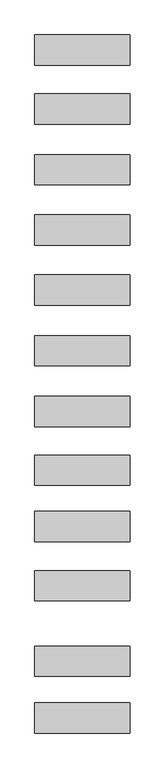
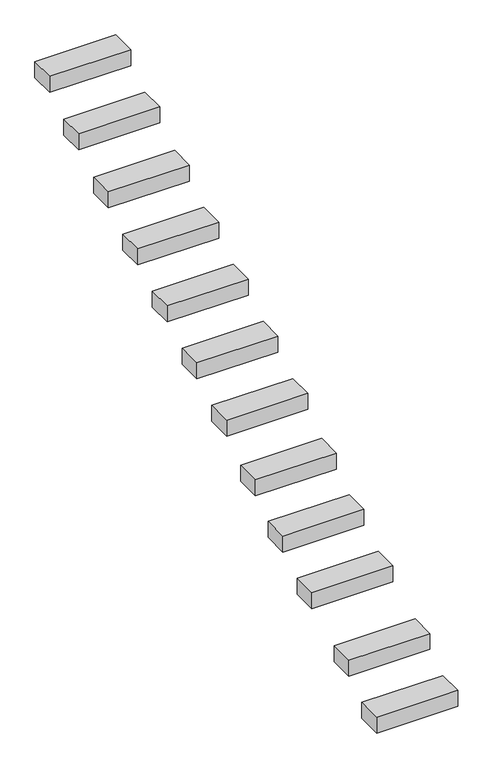
"""IFC4 building model written with IfcOpenShell, lengths in millimetres: proxy geometry."""

from ifc_helpers import new_model, si_unit, frame, origin, place, context, project, spatial, polyline, outline, extrude, source, transform, mapped, element, save


def generic_models_b245fe29(model_context):
    return source(origin(), model_context, "Body", "SweptSolid", [
        extrude(outline(polyline([(-600.0, -1336.481447), (600.0, -1336.481447), (600.0, -1716.481447), (-600.0, -1716.481447), (-600.0, -1336.481447)])), frame((0.0, 0.0, -381.6422348), z_axis=(0.0, 0.0, 1.0), x_axis=(1.0, 0.0, 0.0)), (0.0, 0.0, 1.0), 250.0),
        extrude(outline(polyline([(-600.0, -2077.5274831), (600.0, -2077.5274831), (600.0, -2457.5274831), (-600.0, -2457.5274831), (-600.0, -2077.5274831)])), frame((0.0, 0.0, -830.2109553), z_axis=(0.0, 0.0, 1.0), x_axis=(1.0, 0.0, 0.0)), (0.0, 0.0, 1.0), 250.0),
        extrude(outline(polyline([(-600.0, -2842.0290402), (600.0, -2842.0290402), (600.0, -3222.0290402), (-600.0, -3222.0290402), (-600.0, -2842.0290402)])), frame((0.0, 0.0, -1276.8953383), z_axis=(0.0, 0.0, 1.0), x_axis=(1.0, 0.0, 0.0)), (0.0, 0.0, 1.0), 250.0),
        extrude(outline(polyline([(-600.0, -3597.1640171), (600.0, -3597.1640171), (600.0, -3977.1640171), (-600.0, -3977.1640171), (-600.0, -3597.1640171)])), frame((0.0, 0.0, -1712.9114176), z_axis=(0.0, 0.0, 1.0), x_axis=(1.0, 0.0, 0.0)), (0.0, 0.0, 1.0), 250.0),
        extrude(outline(polyline([(-600.0, -4350.3252922), (600.0, -4350.3252922), (600.0, -4730.3252922), (-600.0, -4730.3252922), (-600.0, -4350.3252922)])), frame((0.0, 0.0, -2148.0401947), z_axis=(0.0, 0.0, 1.0), x_axis=(1.0, 0.0, 0.0)), (0.0, 0.0, 1.0), 250.0),
        extrude(outline(polyline([(-600.0, -5114.7328199), (600.0, -5114.7328199), (600.0, -5494.7328199), (-600.0, -5494.7328199), (-600.0, -5114.7328199)])), frame((0.0, 0.0, -2577.7198239), z_axis=(0.0, 0.0, 1.0), x_axis=(1.0, 0.0, 0.0)), (0.0, 0.0, 1.0), 250.0),
        extrude(outline(polyline([(-600.0, -5878.2812447), (600.0, -5878.2812447), (600.0, -6258.2812447), (-600.0, -6258.2812447), (-600.0, -5878.2812447)])), frame((0.0, 0.0, -3011.667864), z_axis=(0.0, 0.0, 1.0), x_axis=(1.0, 0.0, 0.0)), (0.0, 0.0, 1.0), 250.0),
        extrude(outline(polyline([(-600.0, -6614.8508617), (600.0, -6614.8508617), (600.0, -6994.8508617), (-600.0, -6994.8508617), (-600.0, -6614.8508617)])), frame((0.0, 0.0, -3502.1333552), z_axis=(0.0, 0.0, 1.0), x_axis=(1.0, 0.0, 0.0)), (0.0, 0.0, 1.0), 250.0),
        extrude(outline(polyline([(-600.0, -7323.1482392), (600.0, -7323.1482392), (600.0, -7703.1482392), (-600.0, -7703.1482392), (-600.0, -7323.1482392)])), frame((0.0, 0.0, -3952.9659052), z_axis=(0.0, 0.0, 1.0), x_axis=(1.0, 0.0, 0.0)), (0.0, 0.0, 1.0), 250.0),
        extrude(outline(polyline([(-600.0, -8066.9691975), (600.0, -8066.9691975), (600.0, -8446.9691975), (-600.0, -8446.9691975), (-600.0, -8066.9691975)])), frame((0.0, 0.0, -4388.9819845), z_axis=(0.0, 0.0, 1.0), x_axis=(1.0, 0.0, 0.0)), (0.0, 0.0, 1.0), 250.0),
        extrude(outline(polyline([(-600.0, -9015.8118584), (600.0, -9015.8118584), (600.0, -9395.8118584), (-600.0, -9395.8118584), (-600.0, -9015.8118584)])), frame((0.0, 0.0, -4871.5145613), z_axis=(0.0, 0.0, 1.0), x_axis=(1.0, 0.0, 0.0)), (0.0, 0.0, 1.0), 250.0),
        extrude(outline(polyline([(-600.0, -9727.7939819), (600.0, -9727.7939819), (600.0, -10107.7939819), (-600.0, -10107.7939819), (-600.0, -9727.7939819)])), frame((0.0, 0.0, -5329.5986798), z_axis=(0.0, 0.0, 1.0), x_axis=(1.0, 0.0, 0.0)), (0.0, 0.0, 1.0), 250.0),
    ])


if __name__ == "__main__":
    model = new_model("IFC4")
    model_context = context("Model", 3, world=origin())
    ifc_project = project(units=[si_unit("LENGTHUNIT", "METRE", prefix="MILLI")], contexts=[model_context])
    site = spatial("IfcSite", under=ifc_project)
    building = spatial("IfcBuilding", under=site)
    placement = place(None, origin())
    generic_models_shape = generic_models_b245fe29(model_context)
    element("IfcBuildingElementProxy", 1, Name="Generic Models", at=placement, inside=building, context=model_context, shape_type="MappedRepresentation", body=[
        mapped(generic_models_shape, transform((0.0, 0.0, 0.0), x_axis=(1.0, 0.0, 0.0), y_axis=(0.0, 1.0, 0.0), z_axis=(0.0, 0.0, 1.0))),
    ])
    save(model, "model.ifc")
